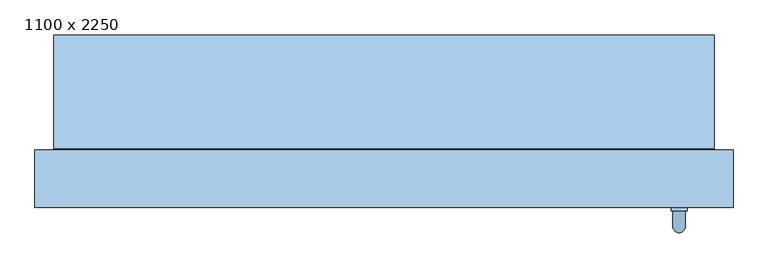
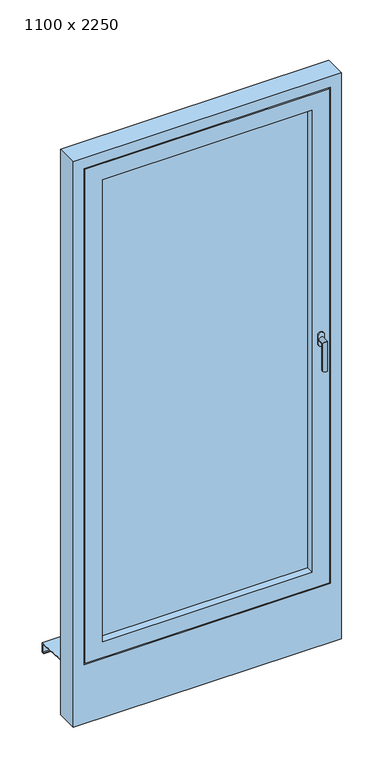
"""IFC4 building model written with IfcOpenShell, lengths in millimetres: window geometry, 1100 x 2250."""

from ifc_helpers import new_model, si_unit, frame, origin, place, context, project, spatial, polyline, circle_curve, ellipse_curve, outline, extrude, faceted_brep, source, transform, mapped, element, save
from ifc_brep_helpers import plane_surface, cylinder_surface, advanced_brep


def window_1100_x_2250_070783e6(model_context):
    return source(origin(), model_context, "Body", "SolidModel", [
        advanced_brep(
        [(452.5, 140.0, 1147.5), (477.5, 140.0, 1147.5), (477.5, 140.0, 1130.0), (477.5, 140.0, 1112.5), (452.5, 140.0, 1112.5), (452.5, 140.0, 1130.0), (475.0, 110.0, 1130.0), (475.0, 134.0, 1130.0), (455.0, 134.0, 1130.0), (455.0, 110.0, 1130.0), (475.0, 110.0, 1010.0), (455.0, 110.0, 1010.0), (452.5, 134.0, 1147.5), (452.5, 134.0, 1130.0), (452.5, 134.0, 1112.5), (477.5, 134.0, 1112.5), (477.5, 134.0, 1130.0), (477.5, 134.0, 1147.5)],
        [
            (0, 1, circle_curve(frame((465.0, 140.0, 1147.5), z_axis=(0.0, 1.0, 0.0), x_axis=(-1.0, 0.0, 0.0)), 12.5)),
            (1, 2),
            (2, 3),
            (3, 4, circle_curve(frame((465.0, 140.0, 1112.5), z_axis=(0.0, 1.0, 0.0), x_axis=(-1.0, 0.0, 0.0)), 12.5)),
            (4, 5),
            (5, 0),
            (6, 7),
            (7, 8, circle_curve(frame((465.0, 134.0, 1130.0), z_axis=(0.0, -1.0, 0.0), x_axis=(-1.0, 0.0, 0.0)), 10.0)),
            (8, 9),
            (9, 6, ellipse_curve(frame((465.0, 110.0, 1130.0), z_axis=(0.0, 0.7071067811865498, 0.7071067811865451), x_axis=(0.0, 0.7071067811865452, -0.7071067811865497)), 14.1421356, 10.0)),
            (8, 7, circle_curve(frame((465.0, 134.0, 1130.0), z_axis=(0.0, -1.0, 0.0), x_axis=(-1.0, 0.0, 0.0)), 10.0)),
            (6, 9, ellipse_curve(frame((465.0, 110.0, 1130.0), z_axis=(0.0, 0.7071067811865498, 0.7071067811865451), x_axis=(0.0, 0.7071067811865452, -0.7071067811865497)), 14.1421356, 10.0)),
            (10, 11, circle_curve(frame((465.0, 110.0, 1010.0), z_axis=(0.0, 0.0, -1.0), x_axis=(-1.0, 0.0, 0.0)), 10.0)),
            (11, 10, circle_curve(frame((465.0, 110.0, 1010.0), z_axis=(0.0, 0.0, -1.0), x_axis=(-1.0, 0.0, 0.0)), 10.0)),
            (9, 11),
            (10, 6),
            (12, 13),
            (13, 14),
            (14, 15, circle_curve(frame((465.0, 134.0, 1112.5), z_axis=(0.0, -1.0, 0.0), x_axis=(-1.0, 0.0, 0.0)), 12.5)),
            (15, 16),
            (16, 17),
            (17, 12, circle_curve(frame((465.0, 134.0, 1147.5), z_axis=(0.0, -1.0, 0.0), x_axis=(-1.0, 0.0, 0.0)), 12.5)),
            (17, 1),
            (0, 12),
            (16, 2),
            (15, 3),
            (14, 4),
            (13, 5),
        ],
        [
            plane_surface(frame((465.0, 140.0, 1130.0), z_axis=(0.0, 1.0, 0.0), x_axis=(-1.0, 0.0, 0.0))),
            cylinder_surface(frame((465.0, 140.0, 1130.0), z_axis=(0.0, 1.0, 0.0), x_axis=(-1.0, 0.0, 0.0)), 10.0),
            plane_surface(frame((465.0, 110.0, 1010.0), z_axis=(0.0, 0.0, -1.0), x_axis=(-1.0, 0.0, 0.0))),
            cylinder_surface(frame((465.0, 110.0, 1130.0), z_axis=(0.0, 0.0, 1.0), x_axis=(-1.0, 0.0, 0.0)), 10.0),
            plane_surface(frame((452.5, 134.0, 1147.5), z_axis=(0.0, -1.0, 0.0), x_axis=(0.0, 0.0, 1.0))),
            cylinder_surface(frame((465.0, 140.0, 1147.5), z_axis=(0.0, -1.0, 0.0), x_axis=(-1.0, 0.0, 0.0)), 12.5),
            plane_surface(frame((477.5, 134.0, 1147.5), z_axis=(1.0, 0.0, 0.0), x_axis=(0.0, 1.0, 0.0))),
            plane_surface(frame((477.5, 134.0, 1130.0), z_axis=(1.0, 0.0, 0.0), x_axis=(0.0, 1.0, 0.0))),
            cylinder_surface(frame((465.0, 140.0, 1112.5), z_axis=(0.0, -1.0, 0.0), x_axis=(-1.0, 0.0, 0.0)), 12.5),
            plane_surface(frame((452.5, 134.0, 1112.5), z_axis=(-1.0, 0.0, 0.0), x_axis=(0.0, 1.0, 0.0))),
            plane_surface(frame((452.5, 134.0, 1130.0), z_axis=(-1.0, 0.0, 0.0), x_axis=(0.0, 1.0, 0.0))),
        ],
        [
            (0, [[1, 2, 3, 4, 5, 6]]),
            (1, [[7, 8, 9, 10]]),
            (1, [[-9, 11, -7, 12]]),
            (2, [[13, 14]]),
            (3, [[15, -13, 16, -10]]),
            (3, [[-16, -14, -15, -12]]),
            (4, [[17, 18, 19, 20, 21, 22], [-11, -8]]),
            (5, [[23, -1, 24, -22]]),
            (6, [[25, -2, -23, -21]]),
            (7, [[26, -3, -25, -20]]),
            (8, [[27, -4, -26, -19]]),
            (9, [[28, -5, -27, -18]]),
            (10, [[-24, -6, -28, -17]]),
        ],
    ),
        faceted_brep([(-430.0, 140.0, 2130.0), (-430.0, 140.0, 130.0), (-430.0, 230.0, 130.0), (-430.0, 230.0, 2130.0), (-460.0, 230.0, 100.0), (-460.0, 230.0, 2160.0), (460.0, 230.0, 2160.0), (460.0, 230.0, 100.0), (430.0, 230.0, 130.0), (430.0, 230.0, 2130.0), (430.0, 140.0, 130.0), (-500.0, 140.0, 2200.0), (-500.0, 140.0, 60.0), (500.0, 140.0, 60.0), (500.0, 140.0, 2200.0), (430.0, 140.0, 2130.0), (-500.0, 155.0, 2200.0), (-500.0, 155.0, 60.0), (500.0, 155.0, 60.0), (500.0, 155.0, 2200.0), (-485.0, 155.0, 2185.0), (-485.0, 155.0, 75.0), (485.0, 155.0, 75.0), (485.0, 155.0, 2185.0), (-485.0, 185.0, 2185.0), (-485.0, 185.0, 75.0), (485.0, 185.0, 75.0), (485.0, 185.0, 2185.0), (-475.0, 185.0, 2175.0), (-475.0, 185.0, 85.0), (475.0, 185.0, 85.0), (475.0, 185.0, 2175.0), (-475.0, 215.0, 2175.0), (-475.0, 215.0, 85.0), (475.0, 215.0, 85.0), (475.0, 215.0, 2175.0), (-460.0, 215.0, 2160.0), (-460.0, 215.0, 100.0), (460.0, 215.0, 100.0), (460.0, 215.0, 2160.0)], [[[0, 1, 2, 3]], [[4, 5, 6, 7], [3, 2, 8, 9]], [[1, 10, 8, 2]], [[11, 12, 13, 14], [1, 0, 15, 10]], [[16, 17, 12, 11]], [[17, 18, 13, 12]], [[17, 16, 19, 18], [20, 21, 22, 23]], [[24, 25, 21, 20]], [[25, 26, 22, 21]], [[25, 24, 27, 26], [28, 29, 30, 31]], [[32, 33, 29, 28]], [[33, 34, 30, 29]], [[33, 32, 35, 34], [36, 37, 38, 39]], [[5, 4, 37, 36]], [[4, 7, 38, 37]], [[10, 15, 9, 8]], [[18, 19, 14, 13]], [[26, 27, 23, 22]], [[34, 35, 31, 30]], [[7, 6, 39, 38]], [[15, 0, 3, 9]], [[19, 16, 11, 14]], [[27, 24, 20, 23]], [[35, 32, 28, 31]], [[6, 5, 36, 39]]]),
        extrude(outline(polyline([(-430.0, 215.0), (430.0, 215.0), (430.0, 171.0), (-430.0, 171.0), (-430.0, 215.0)])), frame((0.0, 0.0, 130.0), z_axis=(0.0, 0.0, 1.0), x_axis=(1.0, 0.0, 0.0)), (0.0, 0.0, 1.0), 2000.0),
        faceted_brep([(-520.0, 412.0, -9.3747566), (-520.0, 390.0, -7.9997566), (-520.0, 232.0, 1.8752434), (520.0, 232.0, 1.8752434), (520.0, 390.0, -7.9997566), (520.0, 412.0, -9.3747566), (-520.0, 412.0, -49.3747566), (520.0, 412.0, -49.3747566), (-520.0, 400.0, -49.3747566), (520.0, 400.0, -49.3747566), (-520.0, 400.0, -47.3747566), (520.0, 400.0, -47.3747566), (-520.0, 410.0, -47.3747566), (520.0, 410.0, -47.3747566), (-520.0, 410.0, -11.25), (520.0, 410.0, -11.25), (-520.0, 390.0, -10.0), (520.0, 390.0, -10.0), (520.0, 230.0, 0.0), (-520.0, 230.0, 0.0), (-520.0, 230.0, 20.0), (520.0, 230.0, 20.0), (-520.0, 232.0, 20.0), (520.0, 232.0, 20.0)], [[[0, 1, 2, 3, 4, 5]], [[6, 0, 5, 7]], [[8, 6, 7, 9]], [[10, 8, 9, 11]], [[12, 10, 11, 13]], [[14, 12, 13, 15]], [[16, 14, 15, 17, 18, 19]], [[20, 19, 18, 21]], [[22, 20, 21, 23]], [[2, 22, 23, 3]], [[16, 1, 0, 6, 8, 10, 12, 14]], [[17, 4, 3, 23, 21, 18]], [[1, 16, 19, 20, 22, 2]], [[4, 17, 15, 13, 11, 9, 7, 5]]]),
        faceted_brep([(550.0, 230.0, -200.0), (550.0, 140.0, -200.0), (-550.0, 140.0, -200.0), (-550.0, 230.0, -200.0), (550.0, 230.0, 2250.0), (550.0, 140.0, 2250.0), (-550.0, 140.0, 2250.0), (505.0, 140.0, 2205.0), (505.0, 140.0, 55.0), (-505.0, 140.0, 55.0), (-505.0, 140.0, 2205.0), (-550.0, 230.0, 2250.0), (465.0, 230.0, 95.0), (465.0, 230.0, 2165.0), (-465.0, 230.0, 2165.0), (-465.0, 230.0, 95.0), (465.0, 215.0, 95.0), (465.0, 215.0, 2165.0), (-465.0, 215.0, 95.0), (-465.0, 215.0, 2165.0), (505.0, 155.0, 2205.0), (505.0, 155.0, 55.0), (-505.0, 155.0, 55.0), (-505.0, 155.0, 2205.0), (490.0, 155.0, 2190.0), (490.0, 155.0, 70.0), (-490.0, 155.0, 70.0), (-490.0, 155.0, 2190.0), (490.0, 185.0, 70.0), (490.0, 185.0, 2190.0), (-490.0, 185.0, 2190.0), (-490.0, 185.0, 70.0), (480.0, 185.0, 2180.0), (480.0, 185.0, 80.0), (-480.0, 185.0, 80.0), (-480.0, 185.0, 2180.0), (480.0, 215.0, 80.0), (480.0, 215.0, 2180.0), (-480.0, 215.0, 2180.0), (-480.0, 215.0, 80.0)], [[[0, 1, 2, 3]], [[4, 5, 1, 0]], [[5, 6, 2, 1], [7, 8, 9, 10]], [[6, 11, 3, 2]], [[11, 4, 0, 3], [12, 13, 14, 15]], [[12, 16, 17, 13]], [[18, 15, 14, 19]], [[16, 12, 15, 18]], [[20, 21, 8, 7]], [[8, 21, 22, 9]], [[9, 22, 23, 10]], [[21, 20, 23, 22], [24, 25, 26, 27]], [[28, 29, 30, 31], [32, 33, 34, 35]], [[29, 28, 25, 24]], [[25, 28, 31, 26]], [[36, 37, 38, 39], [17, 16, 18, 19]], [[37, 36, 33, 32]], [[33, 36, 39, 34]], [[26, 31, 30, 27]], [[34, 39, 38, 35]], [[4, 11, 6, 5]], [[20, 7, 10, 23]], [[29, 24, 27, 30]], [[37, 32, 35, 38]], [[13, 17, 19, 14]]]),
    ])


if __name__ == "__main__":
    model = new_model("IFC4")
    model_context = context("Model", 3, world=origin())
    ifc_project = project(units=[si_unit("LENGTHUNIT", "METRE", prefix="MILLI")], contexts=[model_context])
    site = spatial("IfcSite", under=ifc_project)
    building = spatial("IfcBuilding", under=site)
    placement = place(None, origin())
    window_1100_x_2250_shape = window_1100_x_2250_070783e6(model_context)
    element("IfcWindow", 1, ObjectType="1100 x 2250", at=placement, inside=building, context=model_context, shape_type="MappedRepresentation", body=[
        mapped(window_1100_x_2250_shape, transform((0.0, 0.0, 0.0), x_axis=(1.0, 0.0, 0.0), y_axis=(0.0, 1.0, 0.0), z_axis=(0.0, 0.0, 1.0))),
    ])
    save(model, "model.ifc")
